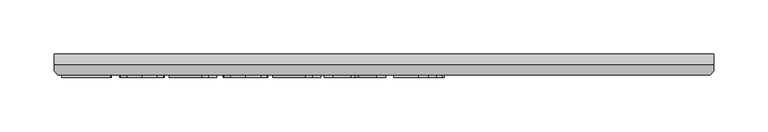
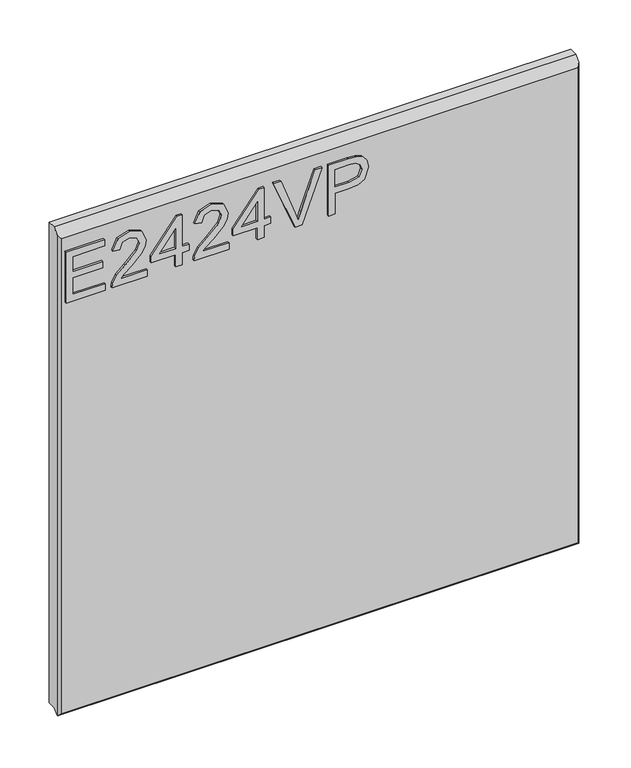
"""IFC4 building model written with IfcOpenShell, lengths in millimetres: furniture geometry."""

import ifcopenshell
import ifcopenshell.guid

model = None  # the IFC model being written
_history = None  # IfcOwnerHistory: only IFC2X3 demands one
_inside = {}  # id of a spatial element -> (the spatial element, [elements in it])
_under = {}  # id of a project, library or spatial element -> (it, [spatial elements below it])
_declared = {}  # id of a project -> (the project, [libraries it declares])
_typed = {}  # id of a type object -> (the type object, [elements of that type])
_made_of = {}  # id of a material, layer set ... -> (it, [elements and type objects made of it])


def new_model(schema):
    """Start an empty IFC model of exactly this schema.

    Asked for "IFC4X3", IfcOpenShell would pick the latest addendum, in which some entities
    have other attributes; the version numbers below select the first issue.
    IFC2X3 requires an IfcOwnerHistory on every rooted entity: one is made here for all.
    """
    global model, _history
    if schema == "IFC4X3":
        model = ifcopenshell.file(schema_version=(4, 3, 0, 0))
    else:
        model = ifcopenshell.file(schema=schema)
    _inside.clear()
    _under.clear()
    _declared.clear()
    _typed.clear()
    _made_of.clear()
    _history = None
    if model.schema == "IFC2X3":
        org = make("IfcOrganization", Name="unknown")
        user = make(
            "IfcPersonAndOrganization",
            ThePerson=make("IfcPerson", FamilyName="unknown"),
            TheOrganization=org,
        )
        app = make(
            "IfcApplication",
            ApplicationDeveloper=org,
            Version="unknown",
            ApplicationFullName="unknown",
            ApplicationIdentifier="unknown",
        )
        _history = make(
            "IfcOwnerHistory",
            OwningUser=user,
            OwningApplication=app,
            ChangeAction="ADDED",
            CreationDate=0,
        )
    return model


def make(cls, **values):
    """One entity of the class cls with the attributes given. An attribute that is None is left unset."""
    return model.create_entity(
        cls, **{name: value for name, value in values.items() if value is not None}
    )


def rooted(cls, **values):
    """An entity with a GlobalId (a new one), such as an element, a storey or a relation."""
    return make(cls, GlobalId=ifcopenshell.guid.new(), OwnerHistory=_history, **values)


def si_unit(unit_type, name, prefix=None):
    """IfcSIUnit, for example si_unit("LENGTHUNIT", "METRE", prefix="MILLI")."""
    return make("IfcSIUnit", UnitType=unit_type, Prefix=prefix, Name=name)


def assignment(units):
    """IfcUnitAssignment: the units of a project."""
    return None if units is None else make("IfcUnitAssignment", Units=units)


def point(xyz):
    """IfcCartesianPoint."""
    return None if xyz is None else make("IfcCartesianPoint", Coordinates=xyz)


def direction(xyz):
    """IfcDirection."""
    return None if xyz is None else make("IfcDirection", DirectionRatios=xyz)


def frame(location, z_axis=None, x_axis=None):
    """IfcAxis2Placement3D, a coordinate frame: its origin and axes. An axis left out is left unset."""
    return make(
        "IfcAxis2Placement3D",
        Location=point(location),
        Axis=direction(z_axis),
        RefDirection=direction(x_axis),
    )


def origin():
    """The frame at (0, 0, 0) with its axes left unset."""
    return frame((0.0, 0.0, 0.0))


def place(relative_to, where):
    """IfcLocalPlacement: puts the frame where relative to a parent placement (None: the world)."""
    return make(
        "IfcLocalPlacement", PlacementRelTo=relative_to, RelativePlacement=where
    )


def context(
    kind, dimensions, precision=None, world=None, true_north=None, identifier=None
):
    """IfcGeometricRepresentationContext, for example the 3D "Model" context."""
    return make(
        "IfcGeometricRepresentationContext",
        ContextIdentifier=identifier,
        ContextType=kind,
        CoordinateSpaceDimension=dimensions,
        Precision=precision,
        WorldCoordinateSystem=world,
        TrueNorth=true_north,
    )


def project(units=None, contexts=None):
    """IfcProject with its units and contexts."""
    return rooted(
        "IfcProject",
        Name="project",
        RepresentationContexts=contexts,
        UnitsInContext=assignment(units),
    )


def spatial(cls, under=None, at=None, **own):
    """A site, building, storey or space (cls), placed at a placement, below another one or the project."""
    s = rooted(cls, ObjectPlacement=at, **own)
    if under is not None:
        _under.setdefault(under.id(), (under, []))[1].append(s)
    return s


def polyline(points):
    """IfcPolyline through the points."""
    return make("IfcPolyline", Points=[point(p) for p in points])


def outline(outer, holes=None, kind="AREA"):
    """IfcArbitraryClosedProfileDef: a profile drawn as a closed curve; with holes, ...WithVoids."""
    if holes is None:
        return make("IfcArbitraryClosedProfileDef", ProfileType=kind, OuterCurve=outer)
    return make(
        "IfcArbitraryProfileDefWithVoids",
        ProfileType=kind,
        OuterCurve=outer,
        InnerCurves=holes,
    )


def extrude(swept, where, along, depth):
    """IfcExtrudedAreaSolid: the profile swept, set in the frame where, extruded along a direction by depth."""
    return make(
        "IfcExtrudedAreaSolid",
        SweptArea=swept,
        Position=where,
        ExtrudedDirection=direction(along),
        Depth=depth,
    )


def faces_of(points, faces, orient=None, outer=None):
    """IfcFace entities. A face is a list of loops; a loop is a list of indices into points, from 0.

    orient and outer hold one flag for each loop. By default every Orientation is true, the
    first loop of a face is its IfcFaceOuterBound and the others are IfcFaceBound.
    """
    made = []
    for i, loops in enumerate(faces):
        bounds = []
        for j, loop in enumerate(loops):
            is_outer = j == 0 if outer is None else outer[i][j]
            bounds.append(
                make(
                    "IfcFaceOuterBound" if is_outer else "IfcFaceBound",
                    Bound=make("IfcPolyLoop", Polygon=[points[k] for k in loop]),
                    Orientation=True if orient is None else orient[i][j],
                )
            )
        made.append(make("IfcFace", Bounds=bounds))
    return made


def faceted_brep(points, faces, orient=None, outer=None, voids=None):
    """IfcFacetedBrep: a solid bounded by flat faces; with voids (closed shells), ...WithVoids."""
    shared = [point(p) for p in points]
    hull = make("IfcClosedShell", CfsFaces=faces_of(shared, faces, orient, outer))
    if voids is None:
        return make("IfcFacetedBrep", Outer=hull)
    return make(
        "IfcFacetedBrepWithVoids",
        Outer=hull,
        Voids=[
            make(cls, CfsFaces=faces_of(shared, fs, o, b)) for cls, fs, o, b in voids
        ],
    )


def shape(context_of_items, identifier, shape_type, items):
    """IfcShapeRepresentation: the items that make up one representation, for example the "Body"."""
    return make(
        "IfcShapeRepresentation",
        ContextOfItems=context_of_items,
        RepresentationIdentifier=identifier,
        RepresentationType=shape_type,
        Items=items,
    )


def source(mapping_origin, context_of_items, identifier, shape_type, items):
    """IfcRepresentationMap: a shape defined once, which mapped items show again and again."""
    return make(
        "IfcRepresentationMap",
        MappingOrigin=mapping_origin,
        MappedRepresentation=shape(context_of_items, identifier, shape_type, items),
    )


def transform(
    local_origin,
    x_axis=None,
    y_axis=None,
    z_axis=None,
    scale=None,
    scale2=None,
    scale3=None,
    uniform=True,
):
    """IfcCartesianTransformationOperator3D, or its non-uniform kind. x_axis, y_axis, z_axis: its Axis1, 2, 3."""
    if uniform:
        return make(
            "IfcCartesianTransformationOperator3D",
            Axis1=direction(x_axis),
            Axis2=direction(y_axis),
            LocalOrigin=point(local_origin),
            Scale=scale,
            Axis3=direction(z_axis),
        )
    return make(
        "IfcCartesianTransformationOperator3DnonUniform",
        Axis1=direction(x_axis),
        Axis2=direction(y_axis),
        LocalOrigin=point(local_origin),
        Scale=scale,
        Axis3=direction(z_axis),
        Scale2=scale2,
        Scale3=scale3,
    )


def mapped(mapping_source, mapping_target):
    """IfcMappedItem: shows the shape of a source again, moved by a transform."""
    return make(
        "IfcMappedItem", MappingSource=mapping_source, MappingTarget=mapping_target
    )


def made_of(thing, what):
    """Note that an element or type object is made of a material, layer set ...; save() writes the relation."""
    if what is not None:
        _made_of.setdefault(what.id(), (what, []))[1].append(thing)
    return thing


def element(
    cls,
    number,
    at=None,
    inside=None,
    cuts=None,
    type_object=None,
    material=None,
    context=None,
    identifier="Body",
    shape_type=None,
    held_by="IfcProductDefinitionShape",
    body=None,
    shapes=None,
    **own,
):
    """One element of the class cls, such as IfcWall. Its Tag is "e" and its number.

    at: its placement. inside: the storey or other place that contains it. cuts: it is an
    opening in that element (IfcRelVoidsElement). A single representation is given by context,
    identifier, shape_type and body (its items); several are given by shapes. held_by: the class
    of the entity that holds the representations. save() writes the other relations.
    """
    e = rooted(cls, Tag="e%d" % number, ObjectPlacement=at, **own)
    if body is not None:
        shapes = [shape(context, identifier, shape_type, body)]
    if shapes is not None:
        e.Representation = make(held_by, Representations=shapes)
    if inside is not None:
        _inside.setdefault(inside.id(), (inside, []))[1].append(e)
    if cuts is not None:
        rooted(
            "IfcRelVoidsElement", RelatingBuildingElement=cuts, RelatedOpeningElement=e
        )
    if type_object is not None:
        _typed.setdefault(type_object.id(), (type_object, []))[1].append(e)
    return made_of(e, material)


def aggregate(whole, parts):
    """IfcRelAggregates: a whole, such as a stair, and the parts it consists of."""
    return rooted("IfcRelAggregates", RelatingObject=whole, RelatedObjects=parts)


def save(model, path):
    """Write the relations noted so far, then the file.

    IfcRelAggregates (storeys below a building ...), IfcRelContainedInSpatialStructure (elements
    in a storey), IfcRelDefinesByType, IfcRelAssociatesMaterial and IfcRelDeclares: one each for
    every whole, place, type object, material and project.
    """
    for whole, parts in _under.values():
        aggregate(whole, parts)
    for where, things in _inside.values():
        rooted(
            "IfcRelContainedInSpatialStructure",
            RelatedElements=things,
            RelatingStructure=where,
        )
    for kind, things in _typed.values():
        rooted("IfcRelDefinesByType", RelatedObjects=things, RelatingType=kind)
    for what, things in _made_of.values():
        rooted("IfcRelAssociatesMaterial", RelatedObjects=things, RelatingMaterial=what)
    for by, libraries in _declared.values():
        rooted("IfcRelDeclares", RelatingContext=by, RelatedDefinitions=libraries)
    model.write(path)


def furniture_e6aa53e3(model_context):
    return source(origin(), model_context, "Body", "SolidModel", [
        extrude(outline(polyline([(1017.6867188, -279.2238335), (1017.6867188, -233.3084489), (1025.5021034, -233.3084489), (1025.5021034, -271.4084489), (1046.017488, -271.4084489), (1046.017488, -236.2392182), (1053.8328726, -236.2392182), (1053.8328726, -271.4084489), (1072.3944111, -271.4084489), (1072.3944111, -234.285372), (1080.2097957, -234.285372), (1080.2097957, -279.2238335), (1017.6867188, -279.2238335)])), frame((0.0, -21.9273438, 0.0), z_axis=(0.0, 1.0, 0.0), x_axis=(0.0, 0.0, 1.0)), (0.0, 0.0, 1.0), 2.38125),
        extrude(outline(polyline([(1025.5021034, -184.4622951), (1025.5021034, -215.1590499), (1029.4784856, -211.6329682), (1036.9962139, -202.642223), (1047.7042067, -191.4457686), (1055.3669471, -186.8282807), (1062.7778245, -185.4392182), (1075.2030649, -190.5909609), (1080.2097957, -204.5808047), (1075.7067909, -218.5248552), (1062.6251803, -224.5161412), (1061.6482572, -216.7007566), (1069.5399639, -213.4112734), (1072.3944111, -204.7487134), (1069.471274, -196.437235), (1062.3046274, -193.2546028), (1053.451262, -196.6280403), (1040.4307091, -210.1217903), (1031.371274, -219.9062855), (1023.0750601, -224.653521), (1017.6867188, -225.4930643), (1017.6867188, -184.4622951), (1025.5021034, -184.4622951)])), frame((0.0, -21.9273438, 0.0), z_axis=(0.0, 1.0, 0.0), x_axis=(0.0, 0.0, 1.0)), (0.0, 0.0, 1.0), 2.38125),
        extrude(outline(polyline([(1017.6867188, -151.2469105), (1017.6867188, -143.4315259), (1032.3405649, -143.4315259), (1032.3405649, -135.6161412), (1040.1559495, -135.6161412), (1040.1559495, -143.4315259), (1079.2328726, -143.4315259), (1079.2328726, -149.2930643), (1040.1559495, -179.5776797), (1032.3405649, -179.5776797), (1032.3405649, -151.2469105), (1017.6867188, -151.2469105)]), holes=[polyline([(1040.1559495, -151.2469105), (1040.1559495, -169.9610932), (1064.3042668, -151.2469105), (1040.1559495, -151.2469105)])]), frame((0.0, -21.9273438, 0.0), z_axis=(0.0, 1.0, 0.0), x_axis=(0.0, 0.0, 1.0)), (0.0, 0.0, 1.0), 2.38125),
        extrude(outline(polyline([(1025.5021034, -88.7238335), (1025.5021034, -119.4205884), (1029.4784856, -115.8945066), (1036.9962139, -106.9037614), (1047.7042067, -95.7073071), (1055.3669471, -91.0898191), (1062.7778245, -89.7007566), (1075.2030649, -94.8524994), (1080.2097957, -108.8423432), (1075.7067909, -122.7863936), (1062.6251803, -128.7776797), (1061.6482572, -120.9622951), (1069.5399639, -117.6728119), (1072.3944111, -109.0102518), (1069.471274, -100.6987734), (1062.3046274, -97.5161412), (1053.451262, -100.8895787), (1040.4307091, -114.3833287), (1031.371274, -124.1678239), (1023.0750601, -128.9150595), (1017.6867188, -129.7546028), (1017.6867188, -88.7238335), (1025.5021034, -88.7238335)])), frame((0.0, -21.9273438, 0.0), z_axis=(0.0, 1.0, 0.0), x_axis=(0.0, 0.0, 1.0)), (0.0, 0.0, 1.0), 2.38125),
        extrude(outline(polyline([(1017.6867188, -55.5084489), (1017.6867188, -47.6930643), (1032.3405649, -47.6930643), (1032.3405649, -39.8776797), (1040.1559495, -39.8776797), (1040.1559495, -47.6930643), (1079.2328726, -47.6930643), (1079.2328726, -53.5546028), (1040.1559495, -83.8392182), (1032.3405649, -83.8392182), (1032.3405649, -55.5084489), (1017.6867188, -55.5084489)]), holes=[polyline([(1040.1559495, -55.5084489), (1040.1559495, -74.2226316), (1064.3042668, -55.5084489), (1040.1559495, -55.5084489)])]), frame((0.0, -21.9273438, 0.0), z_axis=(0.0, 1.0, 0.0), x_axis=(0.0, 0.0, 1.0)), (0.0, 0.0, 1.0), 2.38125),
        extrude(outline(polyline([(1017.6867188, -11.638497), (1017.6867188, -3.5636172), (1080.2097957, 20.2641472), (1080.2097957, 11.8992434), (1035.1644832, -4.8000355), (1025.0136418, -8.1276797), (1035.1644832, -11.5011172), (1080.2097957, -28.1546028), (1080.2097957, -36.5195066), (1017.6867188, -11.638497)])), frame((0.0, -21.9273438, 0.0), z_axis=(0.0, 1.0, 0.0), x_axis=(0.0, 0.0, 1.0)), (0.0, 0.0, 1.0), 2.38125),
        extrude(outline(polyline([(1017.6867188, 27.5300126), (1017.6867188, 35.3453972), (1043.0867188, 35.3453972), (1043.0867188, 51.2356616), (1044.468149, 62.3386214), (1048.6124399, 69.3926929), (1062.1214543, 74.4223203), (1070.6466346, 72.5600607), (1076.6913462, 67.6372842), (1079.6144832, 60.0432338), (1080.2097957, 50.7014068), (1080.2097957, 27.5300126), (1017.6867188, 27.5300126)]), holes=[polyline([(1050.9021034, 35.3453972), (1072.3944111, 35.3453972), (1072.3944111, 51.5104213), (1071.8601563, 59.3258059), (1068.3188101, 64.5996641), (1061.8466947, 66.6069357), (1053.7718149, 63.2029693), (1050.9021034, 51.6935943), (1050.9021034, 35.3453972)])]), frame((0.0, -21.9273438, 0.0), z_axis=(0.0, 1.0, 0.0), x_axis=(0.0, 0.0, 1.0)), (0.0, 0.0, 1.0), 2.38125),
        faceted_brep([(323.5377049, 0.0, 1106.5867187), (-286.0622951, 0.0, 1106.5867187), (-286.0622951, -9.7234375, 1106.5867187), (323.5377049, -9.7234375, 1106.5867187), (-286.0622951, 0.0, 513.159375), (323.5377049, 0.0, 513.159375), (323.5377049, -10.022457, 513.159375), (-286.0622951, -10.022457, 513.159375), (-286.0622951, -15.991457, 507.190375), (-286.0622951, -15.991457, 1100.3186992), (320.3639221, -19.5460937, 1096.7640625), (-282.8885123, -19.5460937, 1096.7640625), (-282.8885123, -19.5460937, 509.984375), (320.3627049, -19.5460937, 509.984375), (323.5377049, -15.991457, 1100.3186992), (323.5377049, -15.991457, 507.190375), (323.1975263, -16.372457, 506.809375), (-285.7221165, -16.372457, 506.809375)], [[[0, 1, 2, 3]], [[4, 5, 6, 7]], [[1, 4, 7, 8, 9, 2]], [[10, 11, 12, 13]], [[5, 0, 3, 14, 15, 6]], [[1, 0, 5, 4]], [[3, 2, 9, 11, 10, 14]], [[7, 6, 15, 16, 17, 8]], [[17, 16, 13, 12]], [[9, 8, 17, 12, 11]], [[10, 13, 16, 15, 14]]]),
    ])


if __name__ == "__main__":
    model = new_model("IFC4")
    model_context = context("Model", 3, world=origin())
    ifc_project = project(units=[si_unit("LENGTHUNIT", "METRE", prefix="MILLI")], contexts=[model_context])
    site = spatial("IfcSite", under=ifc_project)
    building = spatial("IfcBuilding", under=site)
    placement = place(None, origin())
    furniture_shape = furniture_e6aa53e3(model_context)
    element("IfcFurniture", 1, at=placement, inside=building, context=model_context, shape_type="MappedRepresentation", body=[
        mapped(furniture_shape, transform((0.0, 0.0, 0.0), x_axis=(1.0, 0.0, 0.0), y_axis=(0.0, 1.0, 0.0), z_axis=(0.0, 0.0, 1.0))),
    ])
    save(model, "model.ifc")
